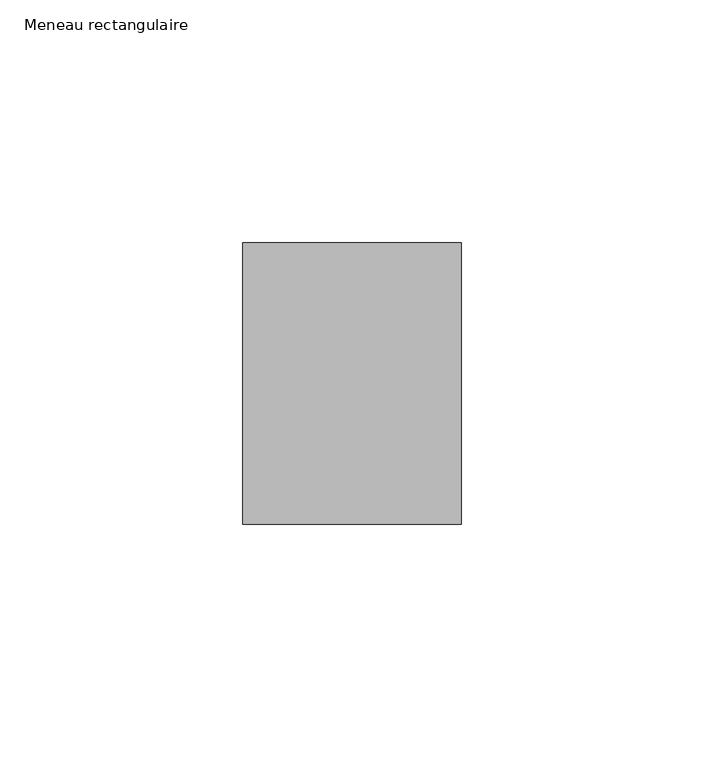
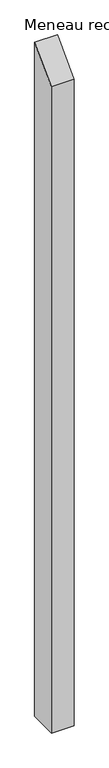
"""IFC4 building model written with IfcOpenShell, lengths in millimetres: member geometry, Meneau rectangulaire."""

from ifc_helpers import new_model, si_unit, frame, origin, place, context, project, spatial, polyline, outline, extrude, source, transform, mapped, element, save


def meneau_rectangulaire_209c4d25(model_context):
    return source(origin(), model_context, "Body", "SweptSolid", [
        extrude(outline(polyline([(-29.0, -29.0), (29.0, 29.0), (29.0, -1390.3333335), (-29.0, -1390.3333335), (-29.0, -29.0)])), frame((-45.0, 0.0, 0.0), z_axis=(1.0, 0.0, 0.0), x_axis=(0.0, 1.0, 0.0)), (0.0, 0.0, 1.0), 45.0),
    ])


if __name__ == "__main__":
    model = new_model("IFC4")
    model_context = context("Model", 3, world=origin())
    ifc_project = project(units=[si_unit("LENGTHUNIT", "METRE", prefix="MILLI")], contexts=[model_context])
    site = spatial("IfcSite", under=ifc_project)
    building = spatial("IfcBuilding", under=site)
    placement = place(None, origin())
    meneau_rectangulaire_shape = meneau_rectangulaire_209c4d25(model_context)
    element("IfcMember", 1, ObjectType="Meneau rectangulaire", at=placement, inside=building, context=model_context, shape_type="MappedRepresentation", body=[
        mapped(meneau_rectangulaire_shape, transform((0.0, 0.0, 0.0), x_axis=(1.0, 0.0, 0.0), y_axis=(0.0, 1.0, 0.0), z_axis=(0.0, 0.0, 1.0))),
    ])
    save(model, "model.ifc")
